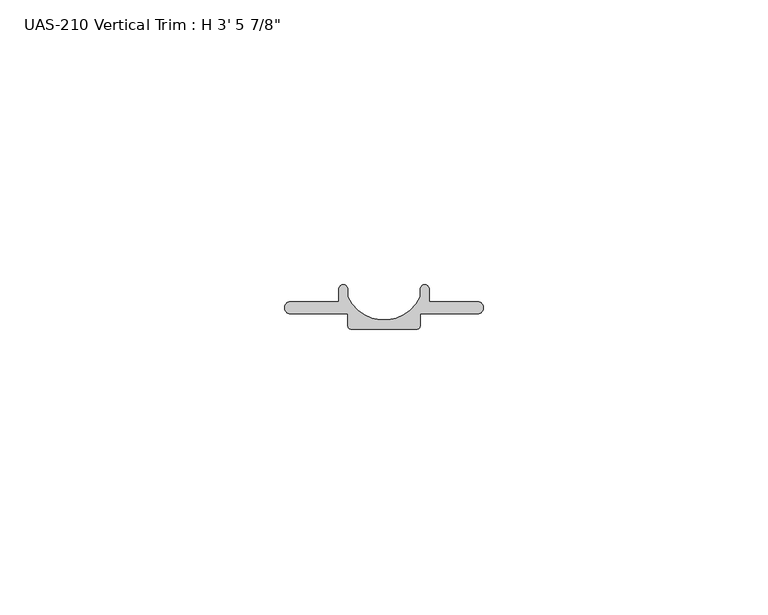
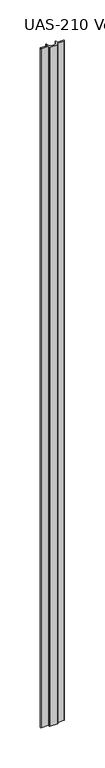
"""IFC4 building model written with IfcOpenShell, lengths in millimetres: proxy geometry."""

from ifc_helpers import new_model, si_unit, point, frame_2d, origin, origin_with_axes, place, context, project, spatial, polyline, circle_curve, trimmed, segment, composite_curve, outline, extrude, source, transform, mapped, element, save


def proxy_43d1e534(model_context):
    return source(origin(), model_context, "Body", "SweptSolid", [
        extrude(outline(composite_curve([segment(trimmed(circle_curve(frame_2d((24.59355, 7.0280773)), 0.79375), [point((23.7998, 7.0280773))], [point((25.3873, 7.0280773))], False, "CARTESIAN"), True, "CONTINUOUS"), segment(polyline([(25.3873, 7.0280773), (25.3873, 4.8610852), (34.1122, 4.8610852)]), True, "CONTINUOUS"), segment(trimmed(circle_curve(frame_2d((33.783229, 3.7942852)), 1.116371), [point((34.1122, 4.8610852))], [point((34.1122, 2.7274852))], False, "CARTESIAN"), True, "CONTINUOUS"), segment(polyline([(34.1122, 2.7274852), (23.7998, 2.7274852), (23.7998, 0.6047205)]), True, "CONTINUOUS"), segment(trimmed(circle_curve(frame_2d((23.1950795, 0.6047205)), 0.6047205), [point((23.7998, 0.6047205))], [point((23.1950795, 0.0))], False, "CARTESIAN"), True, "CONTINUOUS"), segment(polyline([(23.1950795, 0.0), (11.7045205, 0.0)]), True, "CONTINUOUS"), segment(trimmed(circle_curve(frame_2d((11.7045205, 0.6047205)), 0.6047205), [point((11.7045205, 0.0))], [point((11.0998, 0.6047205))], False, "CARTESIAN"), True, "CONTINUOUS"), segment(polyline([(11.0998, 0.6047205), (11.0998, 2.7274852), (0.7874, 2.7274852)]), True, "CONTINUOUS"), segment(trimmed(circle_curve(frame_2d((1.116371, 3.7942852)), 1.116371), [point((0.7874, 2.7274852))], [point((0.7874, 4.8610852))], False, "CARTESIAN"), True, "CONTINUOUS"), segment(polyline([(0.7874, 4.8610852), (9.5123, 4.8610852), (9.5123, 7.0280773)]), True, "CONTINUOUS"), segment(trimmed(circle_curve(frame_2d((10.30605, 7.0280773)), 0.79375), [point((9.5123, 7.0280773))], [point((11.0998, 7.0280773))], False, "CARTESIAN"), True, "CONTINUOUS"), segment(polyline([(11.0998, 7.0280773), (11.0998, 5.7081175)]), True, "CONTINUOUS"), segment(trimmed(circle_curve(frame_2d((17.4498, 8.5405827)), 6.9530827), [point((11.0998, 5.7081175))], [point((23.7998, 5.7081175))], True, "CARTESIAN"), True, "CONTINUOUS"), segment(polyline([(23.7998, 5.7081175), (23.7998, 7.0280773)]), True, "CONTINUOUS")], self_intersect=False)), origin_with_axes(), (0.0, 0.0, 1.0), 1063.625),
    ])


if __name__ == "__main__":
    model = new_model("IFC4")
    model_context = context("Model", 3, world=origin())
    ifc_project = project(units=[si_unit("LENGTHUNIT", "METRE", prefix="MILLI")], contexts=[model_context])
    site = spatial("IfcSite", under=ifc_project)
    building = spatial("IfcBuilding", under=site)
    placement = place(None, origin())
    proxy_shape = proxy_43d1e534(model_context)
    element("IfcBuildingElementProxy", 1, Name="UAS-210 Vertical Trim : H 3' 5 7/8\"", ObjectType="UAS-210 Vertical Trim : H 3' 5 7/8\"", at=placement, inside=building, context=model_context, shape_type="MappedRepresentation", body=[
        mapped(proxy_shape, transform((0.0, 0.0, 0.0), x_axis=(1.0, 0.0, 0.0), y_axis=(0.0, 1.0, 0.0), z_axis=(0.0, 0.0, 1.0))),
    ])
    save(model, "model.ifc")
